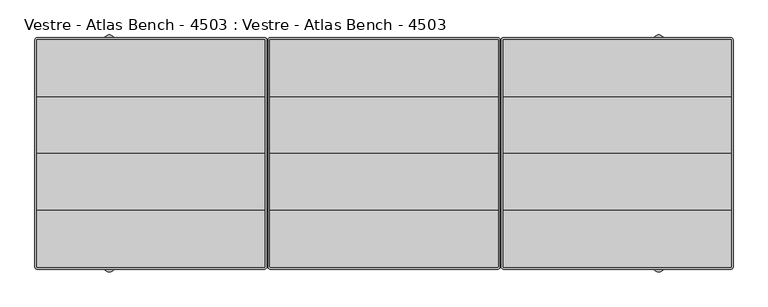
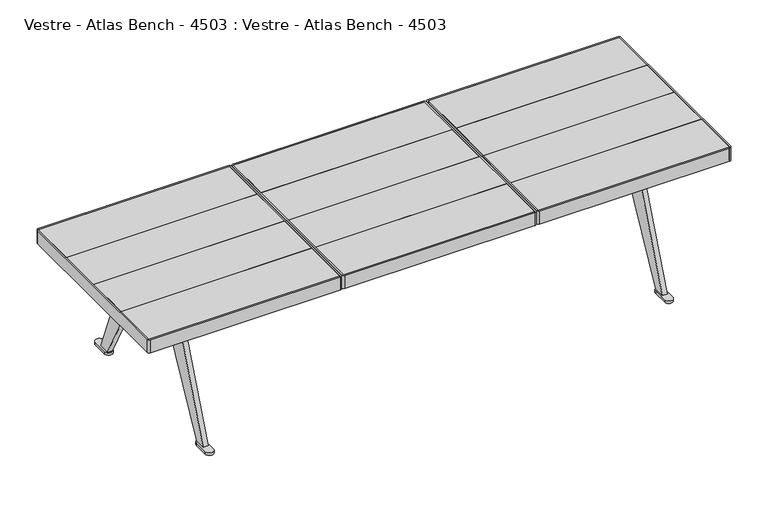
"""IFC4 building model written with IfcOpenShell, lengths in millimetres: furniture geometry, Vestre - Atlas Bench - 4503 : Vestre - Atlas Bench - 4503."""

from ifc_helpers import new_model, si_unit, point, frame, frame_2d, origin, origin_with_axes, place, context, project, spatial, polyline, circle_curve, trimmed, segment, composite_curve, outline, extrude, faceted_brep, source, transform, mapped, element, save


def vestre_atlas_bench_4503_vestre_atlas_bench_4503_7973e180(model_context):
    return source(origin(), model_context, "Body", "SolidModel", [
        extrude(outline(polyline([(295.0000168, -146.0000273), (-295.0000168, -146.0000273), (-295.0000168, 0.0), (295.0000168, 0.0), (295.0000168, -146.0000273)])), frame((0.0, 0.0, 410.700222), z_axis=(0.0, 0.0, 1.0), x_axis=(1.0, 0.0, 0.0)), (0.0, 0.0, 1.0), 27.9999988),
        extrude(outline(polyline([(295.0000168, 146.0000273), (295.0000168, 0.0), (-295.0000168, 0.0), (-295.0000168, 146.0000273), (295.0000168, 146.0000273)])), frame((0.0, 0.0, 410.700222), z_axis=(0.0, 0.0, 1.0), x_axis=(1.0, 0.0, 0.0)), (0.0, 0.0, 1.0), 27.9999988),
        extrude(outline(composite_curve([segment(polyline([(-294.009246, 294.9999441), (294.0105528, 294.9999441)]), True, "CONTINUOUS"), segment(trimmed(circle_curve(frame_2d((294.0105528, 294.0104801)), 0.989464), [point((294.0105528, 294.9999441))], [point((295.0000168, 294.0104801))], False, "CARTESIAN"), True, "CONTINUOUS"), segment(polyline([(295.0000168, 294.0104801), (295.0000168, 146.0000273), (-295.0000168, 146.0000273), (-295.0000168, 294.0091733)]), True, "CONTINUOUS"), segment(trimmed(circle_curve(frame_2d((-294.009246, 294.0091733)), 0.9907708), [point((-295.0000168, 294.0091733))], [point((-294.009246, 294.9999441))], False, "CARTESIAN"), True, "CONTINUOUS")], self_intersect=False)), frame((0.0, 0.0, 410.700222), z_axis=(0.0, 0.0, 1.0), x_axis=(1.0, 0.0, 0.0)), (0.0, 0.0, 1.0), 27.9999988),
        extrude(outline(composite_curve([segment(trimmed(circle_curve(frame_2d((-294.0358013, -294.035874)), 0.9642155), [point((-294.0358013, -295.0000895))], [point((-295.0000168, -294.035874))], False, "CARTESIAN"), True, "CONTINUOUS"), segment(polyline([(-295.0000168, -294.035874), (-295.0000168, -146.0000273), (295.0000168, -146.0000273), (295.0000168, -294.0016577)]), True, "CONTINUOUS"), segment(trimmed(circle_curve(frame_2d((294.0015851, -294.0016577)), 0.9984317), [point((295.0000168, -294.0016577))], [point((294.0015851, -295.0000895))], False, "CARTESIAN"), True, "CONTINUOUS"), segment(polyline([(294.0015851, -295.0000895), (-294.0358013, -295.0000895)]), True, "CONTINUOUS")], self_intersect=False)), frame((0.0, 0.0, 410.700222), z_axis=(0.0, 0.0, 1.0), x_axis=(1.0, 0.0, 0.0)), (0.0, 0.0, 1.0), 27.9999988),
        extrude(outline(polyline([(34.9996078, 34.9999712), (34.9996078, -34.9999712), (-34.9996078, -34.9999712), (-34.9996078, 34.9999712), (34.9996078, 34.9999712)])), frame((0.0, 0.0, 370.8502198), z_axis=(0.0, 0.0, 1.0), x_axis=(1.0, 0.0, 0.0)), (0.0, 0.0, 1.0), 39.8500022),
        extrude(outline(composite_curve([segment(polyline([(-299.9997116, -294.0369399), (-299.9997116, 294.000075)]), True, "CONTINUOUS"), segment(trimmed(circle_curve(frame_2d((-293.9997116, 294.000075)), 6.0), [point((-299.9997116, 294.000075))], [point((-293.9997116, 300.000075))], False, "CARTESIAN"), True, "CONTINUOUS"), segment(polyline([(-293.9997116, 300.000075), (293.9997116, 300.000075)]), True, "CONTINUOUS"), segment(trimmed(circle_curve(frame_2d((293.9997116, 294.000075)), 6.0), [point((293.9997116, 300.000075))], [point((299.9997116, 294.000075))], False, "CARTESIAN"), True, "CONTINUOUS"), segment(polyline([(299.9997116, 294.000075), (299.9997116, -294.000075)]), True, "CONTINUOUS"), segment(trimmed(circle_curve(frame_2d((293.9997116, -294.000075)), 6.0), [point((299.9997116, -294.000075))], [point((293.9997116, -300.000075))], False, "CARTESIAN"), True, "CONTINUOUS"), segment(polyline([(293.9997116, -300.000075), (-294.0365765, -300.000075)]), True, "CONTINUOUS"), segment(trimmed(circle_curve(frame_2d((-294.0365765, -294.0369399)), 5.9631351), [point((-294.0365765, -300.000075))], [point((-299.9997116, -294.0369399))], False, "CARTESIAN"), True, "CONTINUOUS")], self_intersect=False), holes=[composite_curve([segment(trimmed(circle_curve(frame_2d((-294.0358013, -294.035874)), 0.9642155), [point((-295.0000168, -294.035874))], [point((-294.0358013, -295.0000895))], True, "CARTESIAN"), True, "CONTINUOUS"), segment(polyline([(-294.0358013, -295.0000895), (294.0015851, -295.0000895)]), True, "CONTINUOUS"), segment(trimmed(circle_curve(frame_2d((294.0015851, -294.0016577)), 0.9984317), [point((294.0015851, -295.0000895))], [point((295.0000168, -294.0016577))], True, "CARTESIAN"), True, "CONTINUOUS"), segment(polyline([(295.0000168, -294.0016577), (295.0000168, 294.0104801)]), True, "CONTINUOUS"), segment(trimmed(circle_curve(frame_2d((294.0105528, 294.0104801)), 0.989464), [point((295.0000168, 294.0104801))], [point((294.0105528, 294.9999441))], True, "CARTESIAN"), True, "CONTINUOUS"), segment(polyline([(294.0105528, 294.9999441), (-294.009246, 294.9999441)]), True, "CONTINUOUS"), segment(trimmed(circle_curve(frame_2d((-294.009246, 294.0091733)), 0.9907708), [point((-294.009246, 294.9999441))], [point((-295.0000168, 294.0091733))], True, "CARTESIAN"), True, "CONTINUOUS"), segment(polyline([(-295.0000168, 294.0091733), (-295.0000168, -294.035874)]), True, "CONTINUOUS")], self_intersect=False)]), frame((0.0, 0.0, 395.7002292), z_axis=(0.0, 0.0, 1.0), x_axis=(1.0, 0.0, 0.0)), (0.0, 0.0, 1.0), 42.9999916),
        extrude(outline(polyline([(307.9998047, -146.0000273), (307.9998047, 0.0), (897.9998383, 0.0), (897.9998383, -146.0000273), (307.9998047, -146.0000273)])), frame((0.0, 0.0, 410.700222), z_axis=(0.0, 0.0, 1.0), x_axis=(1.0, 0.0, 0.0)), (0.0, 0.0, 1.0), 27.9999988),
        extrude(outline(polyline([(307.9998047, 146.0000273), (897.9998383, 146.0000273), (897.9998383, 0.0), (307.9998047, 0.0), (307.9998047, 146.0000273)])), frame((0.0, 0.0, 410.700222), z_axis=(0.0, 0.0, 1.0), x_axis=(1.0, 0.0, 0.0)), (0.0, 0.0, 1.0), 27.9999988),
        extrude(outline(composite_curve([segment(trimmed(circle_curve(frame_2d((897.0090675, 294.0091733)), 0.9907708), [point((897.0090675, 294.9999441))], [point((897.9998383, 294.0091733))], False, "CARTESIAN"), True, "CONTINUOUS"), segment(polyline([(897.9998383, 294.0091733), (897.9998383, 146.0000273), (307.9998047, 146.0000273), (307.9998047, 294.0104801)]), True, "CONTINUOUS"), segment(trimmed(circle_curve(frame_2d((308.9892687, 294.0104801)), 0.989464), [point((307.9998047, 294.0104801))], [point((308.9892687, 294.9999441))], False, "CARTESIAN"), True, "CONTINUOUS"), segment(polyline([(308.9892687, 294.9999441), (897.0090675, 294.9999441)]), True, "CONTINUOUS")], self_intersect=False)), frame((0.0, 0.0, 410.700222), z_axis=(0.0, 0.0, 1.0), x_axis=(1.0, 0.0, 0.0)), (0.0, 0.0, 1.0), 27.9999988),
        extrude(outline(composite_curve([segment(polyline([(897.0356228, -295.0000895), (308.9982364, -295.0000895)]), True, "CONTINUOUS"), segment(trimmed(circle_curve(frame_2d((308.9982364, -294.0016577)), 0.9984317), [point((308.9982364, -295.0000895))], [point((307.9998047, -294.0016577))], False, "CARTESIAN"), True, "CONTINUOUS"), segment(polyline([(307.9998047, -294.0016577), (307.9998047, -146.0000273), (897.9998383, -146.0000273), (897.9998383, -294.035874)]), True, "CONTINUOUS"), segment(trimmed(circle_curve(frame_2d((897.0356228, -294.035874)), 0.9642155), [point((897.9998383, -294.035874))], [point((897.0356228, -295.0000895))], False, "CARTESIAN"), True, "CONTINUOUS")], self_intersect=False)), frame((0.0, 0.0, 410.700222), z_axis=(0.0, 0.0, 1.0), x_axis=(1.0, 0.0, 0.0)), (0.0, 0.0, 1.0), 27.9999988),
        extrude(outline(polyline([(568.0002136, -34.9999712), (568.0002136, 34.9999712), (637.9994293, 34.9999712), (637.9994293, -34.9999712), (568.0002136, -34.9999712)])), frame((0.0, 0.0, 370.8502198), z_axis=(0.0, 0.0, 1.0), x_axis=(1.0, 0.0, 0.0)), (0.0, 0.0, 1.0), 39.8500022),
        extrude(outline(composite_curve([segment(trimmed(circle_curve(frame_2d((897.036398, -294.0369399)), 5.9631351), [point((902.9995331, -294.0369399))], [point((897.036398, -300.000075))], False, "CARTESIAN"), True, "CONTINUOUS"), segment(polyline([(897.036398, -300.000075), (309.0001099, -300.000075)]), True, "CONTINUOUS"), segment(trimmed(circle_curve(frame_2d((309.0001099, -294.000075)), 6.0), [point((309.0001099, -300.000075))], [point((303.0001099, -294.000075))], False, "CARTESIAN"), True, "CONTINUOUS"), segment(polyline([(303.0001099, -294.000075), (303.0001099, 294.000075)]), True, "CONTINUOUS"), segment(trimmed(circle_curve(frame_2d((309.0001099, 294.000075)), 6.0), [point((303.0001099, 294.000075))], [point((309.0001099, 300.000075))], False, "CARTESIAN"), True, "CONTINUOUS"), segment(polyline([(309.0001099, 300.000075), (896.9995331, 300.000075)]), True, "CONTINUOUS"), segment(trimmed(circle_curve(frame_2d((896.9995331, 294.000075)), 6.0), [point((896.9995331, 300.000075))], [point((902.9995331, 294.000075))], False, "CARTESIAN"), True, "CONTINUOUS"), segment(polyline([(902.9995331, 294.000075), (902.9995331, -294.0369399)]), True, "CONTINUOUS")], self_intersect=False), holes=[composite_curve([segment(polyline([(897.9998383, -294.035874), (897.9998383, 294.0091733)]), True, "CONTINUOUS"), segment(trimmed(circle_curve(frame_2d((897.0090675, 294.0091733)), 0.9907708), [point((897.9998383, 294.0091733))], [point((897.0090675, 294.9999441))], True, "CARTESIAN"), True, "CONTINUOUS"), segment(polyline([(897.0090675, 294.9999441), (308.9892687, 294.9999441)]), True, "CONTINUOUS"), segment(trimmed(circle_curve(frame_2d((308.9892687, 294.0104801)), 0.989464), [point((308.9892687, 294.9999441))], [point((307.9998047, 294.0104801))], True, "CARTESIAN"), True, "CONTINUOUS"), segment(polyline([(307.9998047, 294.0104801), (307.9998047, -294.0016577)]), True, "CONTINUOUS"), segment(trimmed(circle_curve(frame_2d((308.9982364, -294.0016577)), 0.9984317), [point((307.9998047, -294.0016577))], [point((308.9982364, -295.0000895))], True, "CARTESIAN"), True, "CONTINUOUS"), segment(polyline([(308.9982364, -295.0000895), (897.0356228, -295.0000895)]), True, "CONTINUOUS"), segment(trimmed(circle_curve(frame_2d((897.0356228, -294.035874)), 0.9642155), [point((897.0356228, -295.0000895))], [point((897.9998383, -294.035874))], True, "CARTESIAN"), True, "CONTINUOUS")], self_intersect=False)]), frame((0.0, 0.0, 395.7002292), z_axis=(0.0, 0.0, 1.0), x_axis=(1.0, 0.0, 0.0)), (0.0, 0.0, 1.0), 42.9999916),
        extrude(outline(polyline([(-307.9998047, -146.0000273), (-897.9998383, -146.0000273), (-897.9998383, 0.0), (-307.9998047, 0.0), (-307.9998047, -146.0000273)])), frame((0.0, 0.0, 410.700222), z_axis=(0.0, 0.0, 1.0), x_axis=(1.0, 0.0, 0.0)), (0.0, 0.0, 1.0), 27.9999988),
        extrude(outline(polyline([(-307.9998047, 146.0000273), (-307.9998047, 0.0), (-897.9998383, 0.0), (-897.9998383, 146.0000273), (-307.9998047, 146.0000273)])), frame((0.0, 0.0, 410.700222), z_axis=(0.0, 0.0, 1.0), x_axis=(1.0, 0.0, 0.0)), (0.0, 0.0, 1.0), 27.9999988),
        extrude(outline(composite_curve([segment(polyline([(-897.0090675, 294.9999441), (-308.9892687, 294.9999441)]), True, "CONTINUOUS"), segment(trimmed(circle_curve(frame_2d((-308.9892687, 294.0104801)), 0.989464), [point((-308.9892687, 294.9999441))], [point((-307.9998047, 294.0104801))], False, "CARTESIAN"), True, "CONTINUOUS"), segment(polyline([(-307.9998047, 294.0104801), (-307.9998047, 146.0000273), (-897.9998383, 146.0000273), (-897.9998383, 294.0091733)]), True, "CONTINUOUS"), segment(trimmed(circle_curve(frame_2d((-897.0090675, 294.0091733)), 0.9907708), [point((-897.9998383, 294.0091733))], [point((-897.0090675, 294.9999441))], False, "CARTESIAN"), True, "CONTINUOUS")], self_intersect=False)), frame((0.0, 0.0, 410.700222), z_axis=(0.0, 0.0, 1.0), x_axis=(1.0, 0.0, 0.0)), (0.0, 0.0, 1.0), 27.9999988),
        extrude(outline(composite_curve([segment(trimmed(circle_curve(frame_2d((-897.0356228, -294.035874)), 0.9642155), [point((-897.0356228, -295.0000895))], [point((-897.9998383, -294.035874))], False, "CARTESIAN"), True, "CONTINUOUS"), segment(polyline([(-897.9998383, -294.035874), (-897.9998383, -146.0000273), (-307.9998047, -146.0000273), (-307.9998047, -294.0016577)]), True, "CONTINUOUS"), segment(trimmed(circle_curve(frame_2d((-308.9982364, -294.0016577)), 0.9984317), [point((-307.9998047, -294.0016577))], [point((-308.9982364, -295.0000895))], False, "CARTESIAN"), True, "CONTINUOUS"), segment(polyline([(-308.9982364, -295.0000895), (-897.0356228, -295.0000895)]), True, "CONTINUOUS")], self_intersect=False)), frame((0.0, 0.0, 410.700222), z_axis=(0.0, 0.0, 1.0), x_axis=(1.0, 0.0, 0.0)), (0.0, 0.0, 1.0), 27.9999988),
        extrude(outline(polyline([(-568.0002136, 34.9999712), (-568.0002136, -34.9999712), (-637.9994293, -34.9999712), (-637.9994293, 34.9999712), (-568.0002136, 34.9999712)])), frame((0.0, 0.0, 370.8502198), z_axis=(0.0, 0.0, 1.0), x_axis=(1.0, 0.0, 0.0)), (0.0, 0.0, 1.0), 39.8500022),
        extrude(outline(composite_curve([segment(polyline([(-902.9995331, -294.0369399), (-902.9995331, 294.000075)]), True, "CONTINUOUS"), segment(trimmed(circle_curve(frame_2d((-896.9995331, 294.000075)), 6.0), [point((-902.9995331, 294.000075))], [point((-896.9995331, 300.000075))], False, "CARTESIAN"), True, "CONTINUOUS"), segment(polyline([(-896.9995331, 300.000075), (-309.0001099, 300.000075)]), True, "CONTINUOUS"), segment(trimmed(circle_curve(frame_2d((-309.0001099, 294.000075)), 6.0), [point((-309.0001099, 300.000075))], [point((-303.0001099, 294.000075))], False, "CARTESIAN"), True, "CONTINUOUS"), segment(polyline([(-303.0001099, 294.000075), (-303.0001099, -294.000075)]), True, "CONTINUOUS"), segment(trimmed(circle_curve(frame_2d((-309.0001099, -294.000075)), 6.0), [point((-303.0001099, -294.000075))], [point((-309.0001099, -300.000075))], False, "CARTESIAN"), True, "CONTINUOUS"), segment(polyline([(-309.0001099, -300.000075), (-897.036398, -300.000075)]), True, "CONTINUOUS"), segment(trimmed(circle_curve(frame_2d((-897.036398, -294.0369399)), 5.9631351), [point((-897.036398, -300.000075))], [point((-902.9995331, -294.0369399))], False, "CARTESIAN"), True, "CONTINUOUS")], self_intersect=False), holes=[composite_curve([segment(trimmed(circle_curve(frame_2d((-897.0356228, -294.035874)), 0.9642155), [point((-897.9998383, -294.035874))], [point((-897.0356228, -295.0000895))], True, "CARTESIAN"), True, "CONTINUOUS"), segment(polyline([(-897.0356228, -295.0000895), (-308.9982364, -295.0000895)]), True, "CONTINUOUS"), segment(trimmed(circle_curve(frame_2d((-308.9982364, -294.0016577)), 0.9984317), [point((-308.9982364, -295.0000895))], [point((-307.9998047, -294.0016577))], True, "CARTESIAN"), True, "CONTINUOUS"), segment(polyline([(-307.9998047, -294.0016577), (-307.9998047, 294.0104801)]), True, "CONTINUOUS"), segment(trimmed(circle_curve(frame_2d((-308.9892687, 294.0104801)), 0.989464), [point((-307.9998047, 294.0104801))], [point((-308.9892687, 294.9999441))], True, "CARTESIAN"), True, "CONTINUOUS"), segment(polyline([(-308.9892687, 294.9999441), (-897.0090675, 294.9999441)]), True, "CONTINUOUS"), segment(trimmed(circle_curve(frame_2d((-897.0090675, 294.0091733)), 0.9907708), [point((-897.0090675, 294.9999441))], [point((-897.9998383, 294.0091733))], True, "CARTESIAN"), True, "CONTINUOUS"), segment(polyline([(-897.9998383, 294.0091733), (-897.9998383, -294.035874)]), True, "CONTINUOUS")], self_intersect=False)]), frame((0.0, 0.0, 395.7002292), z_axis=(0.0, 0.0, 1.0), x_axis=(1.0, 0.0, 0.0)), (0.0, 0.0, 1.0), 42.9999916),
        faceted_brep([(703.0001129, 0.000218, 304.9999878), (703.0001129, 77.4830612, 400.0000031), (703.0001129, -77.4830612, 400.0000031), (-703.0001129, 0.000218, 304.9999878), (-703.0001129, -77.4830612, 400.0000031), (-703.0001129, 77.4830612, 400.0000031), (-568.0002136, 34.9998985, 400.0000031), (-568.0002136, -34.9998985, 400.0000031), (-638.0000107, -34.9998985, 400.0000031), (-638.0000107, 34.9998985, 400.0000031), (35.0001892, 34.9998985, 400.0000031), (35.0001892, -34.9998985, 400.0000031), (-35.0001892, -34.9998985, 400.0000031), (-35.0001892, 34.9998985, 400.0000031), (638.0000107, -34.9998985, 400.0000031), (568.0002136, -34.9998985, 400.0000031), (568.0002136, 34.9998985, 400.0000031), (638.0000107, 34.9998985, 400.0000031), (-568.0002136, -34.9998985, 370.8502198), (-568.0002136, 34.9998985, 370.8502198), (-638.0000107, 34.9998985, 370.8502198), (-638.0000107, -34.9998985, 370.8502198), (35.0001892, -34.9998985, 370.8502198), (35.0001892, 34.9998985, 370.8502198), (-35.0001892, 34.9998985, 370.8502198), (-35.0001892, -34.9998985, 370.8502198), (568.0002136, -34.9998985, 370.8502198), (638.0000107, -34.9998985, 370.8502198), (638.0000107, 34.9998985, 370.8502198), (568.0002136, 34.9998985, 370.8502198)], [[[0, 1, 2]], [[3, 4, 5]], [[1, 0, 3, 5]], [[2, 1, 5, 4], [6, 7, 8, 9], [10, 11, 12, 13], [14, 15, 16, 17]], [[0, 2, 4, 3]], [[18, 19, 20, 21]], [[22, 23, 24, 25]], [[26, 27, 28, 29]], [[19, 18, 7, 6]], [[20, 19, 6, 9]], [[21, 20, 9, 8]], [[18, 21, 8, 7]], [[23, 22, 11, 10]], [[24, 23, 10, 13]], [[25, 24, 13, 12]], [[22, 25, 12, 11]], [[27, 26, 15, 14]], [[28, 27, 14, 17]], [[29, 28, 17, 16]], [[26, 29, 16, 15]]]),
        extrude(outline(composite_curve([segment(polyline([(274.4583657, 7.85), (238.7434801, 7.85), (86.6509732, 294.3770811)]), True, "CONTINUOUS"), segment(trimmed(circle_curve(frame_2d((68.9854666, 284.9999878)), 20.0), [point((86.6509732, 294.3770811))], [point((68.9854666, 304.9999878))], True, "CARTESIAN"), True, "CONTINUOUS"), segment(polyline([(68.9854666, 304.9999878), (-68.9850306, 304.9999878)]), True, "CONTINUOUS"), segment(trimmed(circle_curve(frame_2d((-68.9850306, 284.9999878)), 20.0), [point((-68.9850306, 304.9999878))], [point((-86.6505371, 294.3770811))], True, "CARTESIAN"), True, "CONTINUOUS"), segment(polyline([(-86.6505371, 294.3770811), (-238.7430441, 7.85), (-274.4579296, 7.85), (-122.5038091, 393.6645503)]), True, "CONTINUOUS"), segment(trimmed(circle_curve(frame_2d((-113.1994503, 390.0000031)), 10.0), [point((-122.5038091, 393.6645503))], [point((-113.1994503, 400.0000031))], False, "CARTESIAN"), True, "CONTINUOUS"), segment(polyline([(-113.1994503, 400.0000031), (113.1998863, 400.0000031)]), True, "CONTINUOUS"), segment(trimmed(circle_curve(frame_2d((113.1998863, 390.0000031)), 10.0), [point((113.1998863, 400.0000031))], [point((122.5042451, 393.6645503))], False, "CARTESIAN"), True, "CONTINUOUS"), segment(polyline([(122.5042451, 393.6645503), (274.4583657, 7.85)]), True, "CONTINUOUS")], self_intersect=False)), frame((703.0001129, 0.0, 0.0), z_axis=(1.0, 0.0, 0.0), x_axis=(0.0, 1.0, 0.0)), (0.0, 0.0, 1.0), 15.0002472),
        extrude(outline(composite_curve([segment(trimmed(circle_curve(frame_2d((-710.4999458, 294.7883199)), 12.5001091), [point((-723.0000549, 294.7883199))], [point((-697.9998367, 294.7883199))], False, "CARTESIAN"), True, "CONTINUOUS"), segment(polyline([(-697.9998367, 294.7883199), (-697.9998367, 246.6673202)]), True, "CONTINUOUS"), segment(trimmed(circle_curve(frame_2d((-710.4999458, 246.6673202)), 12.5001091), [point((-697.9998367, 246.6673202))], [point((-723.0000549, 246.6673202))], False, "CARTESIAN"), True, "CONTINUOUS"), segment(polyline([(-723.0000549, 246.6673202), (-723.0000549, 294.7883199)]), True, "CONTINUOUS")], self_intersect=False)), origin_with_axes(), (0.0, 0.0, 1.0), 7.85),
        extrude(outline(composite_curve([segment(polyline([(723.0000549, 294.7883199), (723.0000549, 246.6673202)]), True, "CONTINUOUS"), segment(trimmed(circle_curve(frame_2d((710.4999458, 246.6673202)), 12.5001091), [point((723.0000549, 246.6673202))], [point((697.9998367, 246.6673202))], False, "CARTESIAN"), True, "CONTINUOUS"), segment(polyline([(697.9998367, 246.6673202), (697.9998367, 294.7883199)]), True, "CONTINUOUS"), segment(trimmed(circle_curve(frame_2d((710.4999458, 294.7883199)), 12.5001091), [point((697.9998367, 294.7883199))], [point((723.0000549, 294.7883199))], False, "CARTESIAN"), True, "CONTINUOUS")], self_intersect=False)), origin_with_axes(), (0.0, 0.0, 1.0), 7.85),
        extrude(outline(composite_curve([segment(polyline([(-723.0000549, -294.7878839), (-723.0000549, -246.6668842)]), True, "CONTINUOUS"), segment(trimmed(circle_curve(frame_2d((-710.4999458, -246.6668842)), 12.5001091), [point((-723.0000549, -246.6668842))], [point((-697.9998367, -246.6668842))], False, "CARTESIAN"), True, "CONTINUOUS"), segment(polyline([(-697.9998367, -246.6668842), (-697.9998367, -294.7878839)]), True, "CONTINUOUS"), segment(trimmed(circle_curve(frame_2d((-710.4999458, -294.7878839)), 12.5001091), [point((-697.9998367, -294.7878839))], [point((-723.0000549, -294.7878839))], False, "CARTESIAN"), True, "CONTINUOUS")], self_intersect=False)), origin_with_axes(), (0.0, 0.0, 1.0), 7.85),
        extrude(outline(composite_curve([segment(trimmed(circle_curve(frame_2d((710.4999458, -294.7878839)), 12.5001091), [point((723.0000549, -294.7878839))], [point((697.9998367, -294.7878839))], False, "CARTESIAN"), True, "CONTINUOUS"), segment(polyline([(697.9998367, -294.7878839), (697.9998367, -246.6668842)]), True, "CONTINUOUS"), segment(trimmed(circle_curve(frame_2d((710.4999458, -246.6668842)), 12.5001091), [point((697.9998367, -246.6668842))], [point((723.0000549, -246.6668842))], False, "CARTESIAN"), True, "CONTINUOUS"), segment(polyline([(723.0000549, -246.6668842), (723.0000549, -294.7878839)]), True, "CONTINUOUS")], self_intersect=False)), origin_with_axes(), (0.0, 0.0, 1.0), 7.85),
        extrude(outline(composite_curve([segment(polyline([(274.4583657, 7.85), (238.7434801, 7.85), (86.6509732, 294.3770811)]), True, "CONTINUOUS"), segment(trimmed(circle_curve(frame_2d((68.9854666, 284.9999878)), 20.0), [point((86.6509732, 294.3770811))], [point((68.9854666, 304.9999878))], True, "CARTESIAN"), True, "CONTINUOUS"), segment(polyline([(68.9854666, 304.9999878), (-68.9850306, 304.9999878)]), True, "CONTINUOUS"), segment(trimmed(circle_curve(frame_2d((-68.9850306, 284.9999878)), 20.0), [point((-68.9850306, 304.9999878))], [point((-86.6505371, 294.3770811))], True, "CARTESIAN"), True, "CONTINUOUS"), segment(polyline([(-86.6505371, 294.3770811), (-238.7430441, 7.85), (-274.4579296, 7.85), (-122.5038091, 393.6645503)]), True, "CONTINUOUS"), segment(trimmed(circle_curve(frame_2d((-113.1994503, 390.0000031)), 10.0), [point((-122.5038091, 393.6645503))], [point((-113.1994503, 400.0000031))], False, "CARTESIAN"), True, "CONTINUOUS"), segment(polyline([(-113.1994503, 400.0000031), (113.1998863, 400.0000031)]), True, "CONTINUOUS"), segment(trimmed(circle_curve(frame_2d((113.1998863, 390.0000031)), 10.0), [point((113.1998863, 400.0000031))], [point((122.5042451, 393.6645503))], False, "CARTESIAN"), True, "CONTINUOUS"), segment(polyline([(122.5042451, 393.6645503), (274.4583657, 7.85)]), True, "CONTINUOUS")], self_intersect=False)), frame((-718.0003601, 0.0, 0.0), z_axis=(1.0, 0.0, 0.0), x_axis=(0.0, 1.0, 0.0)), (0.0, 0.0, 1.0), 15.0002472),
    ])


if __name__ == "__main__":
    model = new_model("IFC4")
    model_context = context("Model", 3, world=origin())
    ifc_project = project(units=[si_unit("LENGTHUNIT", "METRE", prefix="MILLI")], contexts=[model_context])
    site = spatial("IfcSite", under=ifc_project)
    building = spatial("IfcBuilding", under=site)
    placement = place(None, origin())
    vestre_atlas_bench_4503_vestre_atlas_bench_4503_shape = vestre_atlas_bench_4503_vestre_atlas_bench_4503_7973e180(model_context)
    element("IfcFurniture", 1, ObjectType="Vestre - Atlas Bench - 4503 : Vestre - Atlas Bench - 4503", at=placement, inside=building, context=model_context, shape_type="MappedRepresentation", body=[
        mapped(vestre_atlas_bench_4503_vestre_atlas_bench_4503_shape, transform((0.0, 0.0, 0.0), x_axis=(1.0, 0.0, 0.0), y_axis=(0.0, 1.0, 0.0), z_axis=(0.0, 0.0, 1.0))),
    ])
    save(model, "model.ifc")
